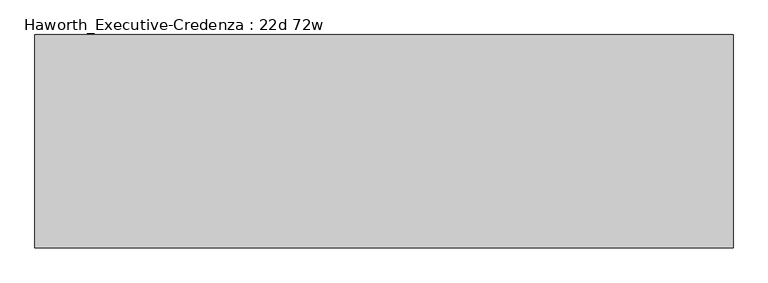
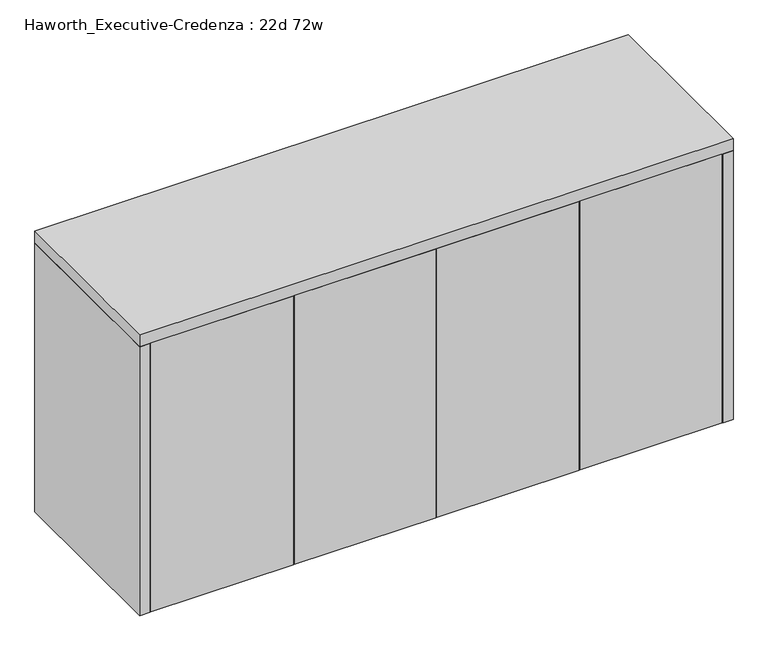
"""IFC4 building model written with IfcOpenShell, lengths in millimetres: furniture geometry, Haworth_Executive-Credenza : 22d 72w."""

import ifcopenshell
import ifcopenshell.guid

model = None  # the IFC model being written
_history = None  # IfcOwnerHistory: only IFC2X3 demands one
_inside = {}  # id of a spatial element -> (the spatial element, [elements in it])
_under = {}  # id of a project, library or spatial element -> (it, [spatial elements below it])
_declared = {}  # id of a project -> (the project, [libraries it declares])
_typed = {}  # id of a type object -> (the type object, [elements of that type])
_made_of = {}  # id of a material, layer set ... -> (it, [elements and type objects made of it])


def new_model(schema):
    """Start an empty IFC model of exactly this schema.

    Asked for "IFC4X3", IfcOpenShell would pick the latest addendum, in which some entities
    have other attributes; the version numbers below select the first issue.
    IFC2X3 requires an IfcOwnerHistory on every rooted entity: one is made here for all.
    """
    global model, _history
    if schema == "IFC4X3":
        model = ifcopenshell.file(schema_version=(4, 3, 0, 0))
    else:
        model = ifcopenshell.file(schema=schema)
    _inside.clear()
    _under.clear()
    _declared.clear()
    _typed.clear()
    _made_of.clear()
    _history = None
    if model.schema == "IFC2X3":
        org = make("IfcOrganization", Name="unknown")
        user = make(
            "IfcPersonAndOrganization",
            ThePerson=make("IfcPerson", FamilyName="unknown"),
            TheOrganization=org,
        )
        app = make(
            "IfcApplication",
            ApplicationDeveloper=org,
            Version="unknown",
            ApplicationFullName="unknown",
            ApplicationIdentifier="unknown",
        )
        _history = make(
            "IfcOwnerHistory",
            OwningUser=user,
            OwningApplication=app,
            ChangeAction="ADDED",
            CreationDate=0,
        )
    return model


def make(cls, **values):
    """One entity of the class cls with the attributes given. An attribute that is None is left unset."""
    return model.create_entity(
        cls, **{name: value for name, value in values.items() if value is not None}
    )


def rooted(cls, **values):
    """An entity with a GlobalId (a new one), such as an element, a storey or a relation."""
    return make(cls, GlobalId=ifcopenshell.guid.new(), OwnerHistory=_history, **values)


def si_unit(unit_type, name, prefix=None):
    """IfcSIUnit, for example si_unit("LENGTHUNIT", "METRE", prefix="MILLI")."""
    return make("IfcSIUnit", UnitType=unit_type, Prefix=prefix, Name=name)


def assignment(units):
    """IfcUnitAssignment: the units of a project."""
    return None if units is None else make("IfcUnitAssignment", Units=units)


def point(xyz):
    """IfcCartesianPoint."""
    return None if xyz is None else make("IfcCartesianPoint", Coordinates=xyz)


def direction(xyz):
    """IfcDirection."""
    return None if xyz is None else make("IfcDirection", DirectionRatios=xyz)


def frame(location, z_axis=None, x_axis=None):
    """IfcAxis2Placement3D, a coordinate frame: its origin and axes. An axis left out is left unset."""
    return make(
        "IfcAxis2Placement3D",
        Location=point(location),
        Axis=direction(z_axis),
        RefDirection=direction(x_axis),
    )


def origin():
    """The frame at (0, 0, 0) with its axes left unset."""
    return frame((0.0, 0.0, 0.0))


def origin_with_axes():
    """The frame at (0, 0, 0) with the z axis (0, 0, 1) and the x axis (1, 0, 0) written out."""
    return frame((0.0, 0.0, 0.0), z_axis=(0.0, 0.0, 1.0), x_axis=(1.0, 0.0, 0.0))


def place(relative_to, where):
    """IfcLocalPlacement: puts the frame where relative to a parent placement (None: the world)."""
    return make(
        "IfcLocalPlacement", PlacementRelTo=relative_to, RelativePlacement=where
    )


def context(
    kind, dimensions, precision=None, world=None, true_north=None, identifier=None
):
    """IfcGeometricRepresentationContext, for example the 3D "Model" context."""
    return make(
        "IfcGeometricRepresentationContext",
        ContextIdentifier=identifier,
        ContextType=kind,
        CoordinateSpaceDimension=dimensions,
        Precision=precision,
        WorldCoordinateSystem=world,
        TrueNorth=true_north,
    )


def project(units=None, contexts=None):
    """IfcProject with its units and contexts."""
    return rooted(
        "IfcProject",
        Name="project",
        RepresentationContexts=contexts,
        UnitsInContext=assignment(units),
    )


def spatial(cls, under=None, at=None, **own):
    """A site, building, storey or space (cls), placed at a placement, below another one or the project."""
    s = rooted(cls, ObjectPlacement=at, **own)
    if under is not None:
        _under.setdefault(under.id(), (under, []))[1].append(s)
    return s


def polyline(points):
    """IfcPolyline through the points."""
    return make("IfcPolyline", Points=[point(p) for p in points])


def outline(outer, holes=None, kind="AREA"):
    """IfcArbitraryClosedProfileDef: a profile drawn as a closed curve; with holes, ...WithVoids."""
    if holes is None:
        return make("IfcArbitraryClosedProfileDef", ProfileType=kind, OuterCurve=outer)
    return make(
        "IfcArbitraryProfileDefWithVoids",
        ProfileType=kind,
        OuterCurve=outer,
        InnerCurves=holes,
    )


def extrude(swept, where, along, depth):
    """IfcExtrudedAreaSolid: the profile swept, set in the frame where, extruded along a direction by depth."""
    return make(
        "IfcExtrudedAreaSolid",
        SweptArea=swept,
        Position=where,
        ExtrudedDirection=direction(along),
        Depth=depth,
    )


def shape(context_of_items, identifier, shape_type, items):
    """IfcShapeRepresentation: the items that make up one representation, for example the "Body"."""
    return make(
        "IfcShapeRepresentation",
        ContextOfItems=context_of_items,
        RepresentationIdentifier=identifier,
        RepresentationType=shape_type,
        Items=items,
    )


def source(mapping_origin, context_of_items, identifier, shape_type, items):
    """IfcRepresentationMap: a shape defined once, which mapped items show again and again."""
    return make(
        "IfcRepresentationMap",
        MappingOrigin=mapping_origin,
        MappedRepresentation=shape(context_of_items, identifier, shape_type, items),
    )


def transform(
    local_origin,
    x_axis=None,
    y_axis=None,
    z_axis=None,
    scale=None,
    scale2=None,
    scale3=None,
    uniform=True,
):
    """IfcCartesianTransformationOperator3D, or its non-uniform kind. x_axis, y_axis, z_axis: its Axis1, 2, 3."""
    if uniform:
        return make(
            "IfcCartesianTransformationOperator3D",
            Axis1=direction(x_axis),
            Axis2=direction(y_axis),
            LocalOrigin=point(local_origin),
            Scale=scale,
            Axis3=direction(z_axis),
        )
    return make(
        "IfcCartesianTransformationOperator3DnonUniform",
        Axis1=direction(x_axis),
        Axis2=direction(y_axis),
        LocalOrigin=point(local_origin),
        Scale=scale,
        Axis3=direction(z_axis),
        Scale2=scale2,
        Scale3=scale3,
    )


def mapped(mapping_source, mapping_target):
    """IfcMappedItem: shows the shape of a source again, moved by a transform."""
    return make(
        "IfcMappedItem", MappingSource=mapping_source, MappingTarget=mapping_target
    )


def made_of(thing, what):
    """Note that an element or type object is made of a material, layer set ...; save() writes the relation."""
    if what is not None:
        _made_of.setdefault(what.id(), (what, []))[1].append(thing)
    return thing


def element(
    cls,
    number,
    at=None,
    inside=None,
    cuts=None,
    type_object=None,
    material=None,
    context=None,
    identifier="Body",
    shape_type=None,
    held_by="IfcProductDefinitionShape",
    body=None,
    shapes=None,
    **own,
):
    """One element of the class cls, such as IfcWall. Its Tag is "e" and its number.

    at: its placement. inside: the storey or other place that contains it. cuts: it is an
    opening in that element (IfcRelVoidsElement). A single representation is given by context,
    identifier, shape_type and body (its items); several are given by shapes. held_by: the class
    of the entity that holds the representations. save() writes the other relations.
    """
    e = rooted(cls, Tag="e%d" % number, ObjectPlacement=at, **own)
    if body is not None:
        shapes = [shape(context, identifier, shape_type, body)]
    if shapes is not None:
        e.Representation = make(held_by, Representations=shapes)
    if inside is not None:
        _inside.setdefault(inside.id(), (inside, []))[1].append(e)
    if cuts is not None:
        rooted(
            "IfcRelVoidsElement", RelatingBuildingElement=cuts, RelatedOpeningElement=e
        )
    if type_object is not None:
        _typed.setdefault(type_object.id(), (type_object, []))[1].append(e)
    return made_of(e, material)


def aggregate(whole, parts):
    """IfcRelAggregates: a whole, such as a stair, and the parts it consists of."""
    return rooted("IfcRelAggregates", RelatingObject=whole, RelatedObjects=parts)


def save(model, path):
    """Write the relations noted so far, then the file.

    IfcRelAggregates (storeys below a building ...), IfcRelContainedInSpatialStructure (elements
    in a storey), IfcRelDefinesByType, IfcRelAssociatesMaterial and IfcRelDeclares: one each for
    every whole, place, type object, material and project.
    """
    for whole, parts in _under.values():
        aggregate(whole, parts)
    for where, things in _inside.values():
        rooted(
            "IfcRelContainedInSpatialStructure",
            RelatedElements=things,
            RelatingStructure=where,
        )
    for kind, things in _typed.values():
        rooted("IfcRelDefinesByType", RelatedObjects=things, RelatingType=kind)
    for what, things in _made_of.values():
        rooted("IfcRelAssociatesMaterial", RelatedObjects=things, RelatingMaterial=what)
    for by, libraries in _declared.values():
        rooted("IfcRelDeclares", RelatingContext=by, RelatedDefinitions=libraries)
    model.write(path)


def haworth_executive_credenza_22d_72w_fcd75e93(model_context):
    return source(origin(), model_context, "Body", "SweptSolid", [
        extrude(outline(polyline([(-441.325, -251.6799408), (-441.325, -283.4299408), (-879.475, -283.4299408), (-879.475, -251.6799408), (-441.325, -251.6799408)])), origin_with_axes(), (0.0, 0.0, 1.0), 876.3),
        extrude(outline(polyline([(-1.5875, -251.6799408), (-1.5875, -283.4299408), (-438.15, -283.4299408), (-438.15, -251.6799408), (-1.5875, -251.6799408)])), origin_with_axes(), (0.0, 0.0, 1.0), 876.3),
        extrude(outline(polyline([(438.15, -251.6799408), (438.15, -283.4299408), (1.5875, -283.4299408), (1.5875, -251.6799408), (438.15, -251.6799408)])), origin_with_axes(), (0.0, 0.0, 1.0), 876.3),
        extrude(outline(polyline([(879.475, -251.6799408), (879.475, -283.4299408), (441.325, -283.4299408), (441.325, -251.6799408), (879.475, -251.6799408)])), origin_with_axes(), (0.0, 0.0, 1.0), 876.3),
        extrude(outline(polyline([(882.65, 275.3700592), (882.65, -251.6799408), (-882.65, -251.6799408), (-882.65, 275.3700592), (882.65, 275.3700592)])), origin_with_axes(), (0.0, 0.0, 1.0), 876.3),
        extrude(outline(polyline([(-882.65, 275.3700592), (-882.65, -283.4299408), (-914.4, -283.4299408), (-914.4, 275.3700592), (-882.65, 275.3700592)])), origin_with_axes(), (0.0, 0.0, 1.0), 876.3),
        extrude(outline(polyline([(882.65, 275.3700592), (914.4, 275.3700592), (914.4, -283.4299408), (882.65, -283.4299408), (882.65, 275.3700592)])), origin_with_axes(), (0.0, 0.0, 1.0), 876.3),
        extrude(outline(polyline([(914.4, 275.3700592), (914.4, -283.4299408), (-914.4, -283.4299408), (-914.4, 275.3700592), (914.4, 275.3700592)])), frame((0.0, 0.0, 876.3), z_axis=(0.0, 0.0, 1.0), x_axis=(1.0, 0.0, 0.0)), (0.0, 0.0, 1.0), 38.1),
    ])


if __name__ == "__main__":
    model = new_model("IFC4")
    model_context = context("Model", 3, world=origin())
    ifc_project = project(units=[si_unit("LENGTHUNIT", "METRE", prefix="MILLI")], contexts=[model_context])
    site = spatial("IfcSite", under=ifc_project)
    building = spatial("IfcBuilding", under=site)
    placement = place(None, origin())
    haworth_executive_credenza_22d_72w_shape = haworth_executive_credenza_22d_72w_fcd75e93(model_context)
    element("IfcFurniture", 1, ObjectType="Haworth_Executive-Credenza : 22d 72w", at=placement, inside=building, context=model_context, shape_type="MappedRepresentation", body=[
        mapped(haworth_executive_credenza_22d_72w_shape, transform((0.0, 0.0, 0.0), x_axis=(1.0, 0.0, 0.0), y_axis=(0.0, 1.0, 0.0), z_axis=(0.0, 0.0, 1.0))),
    ])
    save(model, "model.ifc")
